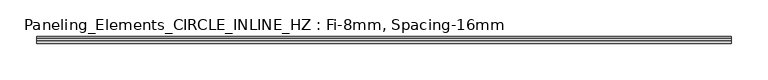
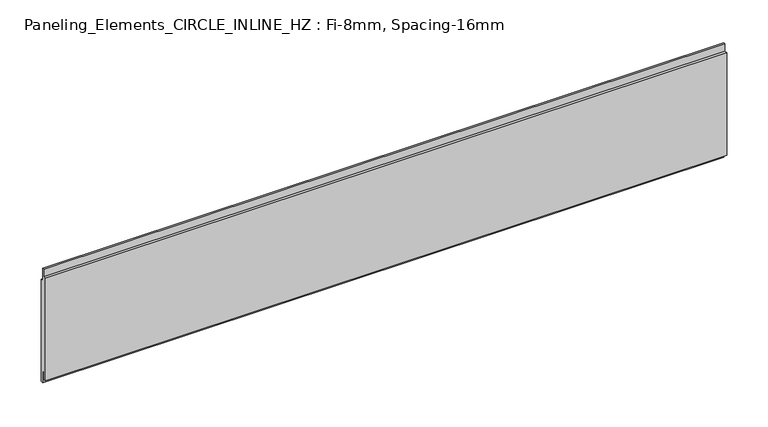
"""IFC4 building model written with IfcOpenShell, lengths in millimetres: plate geometry, Paneling_Elements_CIRCLE_INLINE_HZ : Fi-8mm, Spacing-16mm."""

from ifc_helpers import new_model, si_unit, frame, origin, place, context, project, spatial, polyline, outline, extrude, source, transform, mapped, element, save


def paneling_elements_circle_inline_hz_fi_8mm_spacing_16mm_6a038a10(model_context):
    return source(origin(), model_context, "Body", "SweptSolid", [
        extrude(outline(polyline([(-1.0, 162.0), (2.0, 162.0), (2.0, 144.0), (5.0, 144.0), (5.0, -7.0), (2.0, -7.0), (2.0, 11.0), (-1.0, 11.0), (-1.0, 0.0), (-5.0, 0.0), (-5.0, 151.0), (-1.0, 151.0), (-1.0, 162.0)])), frame((-475.5, 0.0, 0.0), z_axis=(1.0, 0.0, 0.0), x_axis=(0.0, 1.0, 0.0)), (0.0, 0.0, 1.0), 951.0),
    ])


if __name__ == "__main__":
    model = new_model("IFC4")
    model_context = context("Model", 3, world=origin())
    ifc_project = project(units=[si_unit("LENGTHUNIT", "METRE", prefix="MILLI")], contexts=[model_context])
    site = spatial("IfcSite", under=ifc_project)
    building = spatial("IfcBuilding", under=site)
    placement = place(None, origin())
    paneling_elements_circle_inline_hz_fi_8mm_spacing_16mm_shape = paneling_elements_circle_inline_hz_fi_8mm_spacing_16mm_6a038a10(model_context)
    element("IfcPlate", 1, ObjectType="Paneling_Elements_CIRCLE_INLINE_HZ : Fi-8mm, Spacing-16mm", at=placement, inside=building, context=model_context, shape_type="MappedRepresentation", body=[
        mapped(paneling_elements_circle_inline_hz_fi_8mm_spacing_16mm_shape, transform((0.0, 0.0, 0.0), x_axis=(1.0, 0.0, 0.0), y_axis=(0.0, 1.0, 0.0), z_axis=(0.0, 0.0, 1.0))),
    ])
    save(model, "model.ifc")
